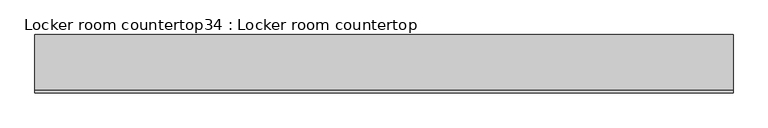
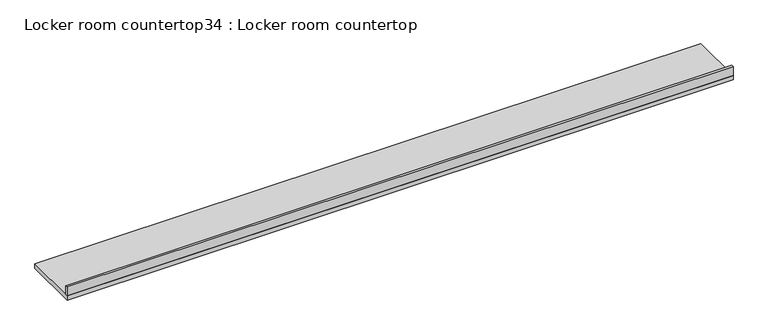
"""IFC4 building model written with IfcOpenShell, lengths in millimetres: furniture geometry, Locker room countertop34 : Locker room countertop."""

from ifc_helpers import new_model, si_unit, frame, origin, place, context, project, spatial, polyline, outline, extrude, source, transform, mapped, element, save


def locker_room_countertop34_locker_room_countertop_c3b7ae97(model_context):
    return source(origin(), model_context, "Body", "SweptSolid", [
        extrude(outline(polyline([(218823.9629676, -264914.8705223), (226123.2879676, -264914.8705223), (226123.2879676, -264940.2705223), (218823.9629676, -264940.2705223), (218823.9629676, -264914.8705223)])), frame((0.0, 0.0, 914.4), z_axis=(0.0, 0.0, 1.0), x_axis=(1.0, 0.0, 0.0)), (0.0, 0.0, 1.0), 101.6),
        extrude(outline(polyline([(218823.9629676, -264330.6705223), (226123.2879676, -264330.6705223), (226123.2879676, -264940.2705223), (218823.9629676, -264940.2705223), (218823.9629676, -264330.6705223)])), frame((0.0, 0.0, 863.6), z_axis=(0.0, 0.0, 1.0), x_axis=(1.0, 0.0, 0.0)), (0.0, 0.0, 1.0), 50.8),
    ])


if __name__ == "__main__":
    model = new_model("IFC4")
    model_context = context("Model", 3, world=origin())
    ifc_project = project(units=[si_unit("LENGTHUNIT", "METRE", prefix="MILLI")], contexts=[model_context])
    site = spatial("IfcSite", under=ifc_project)
    building = spatial("IfcBuilding", under=site)
    placement = place(None, origin())
    locker_room_countertop34_locker_room_countertop_shape = locker_room_countertop34_locker_room_countertop_c3b7ae97(model_context)
    element("IfcFurniture", 1, ObjectType="Locker room countertop34 : Locker room countertop", at=placement, inside=building, context=model_context, shape_type="MappedRepresentation", body=[
        mapped(locker_room_countertop34_locker_room_countertop_shape, transform((0.0, 0.0, 0.0), x_axis=(1.0, 0.0, 0.0), y_axis=(0.0, 1.0, 0.0), z_axis=(0.0, 0.0, 1.0))),
    ])
    save(model, "model.ifc")
